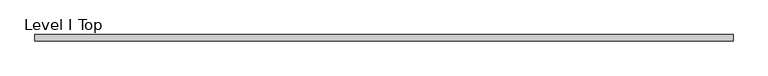
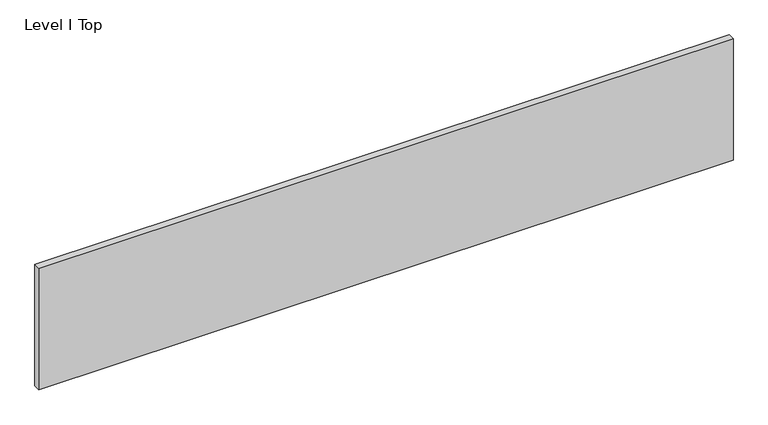
"""IFC4 building model written with IfcOpenShell, lengths in millimetres: proxy geometry, Level I Top."""

from ifc_helpers import new_model, si_unit, frame, origin, place, context, project, spatial, polyline, outline, extrude, source, transform, mapped, element, save


def level_i_top_09e36e50(model_context):
    return source(origin(), model_context, "Body", "SweptSolid", [
        extrude(outline(polyline([(1012.8305563, -9.525), (-1012.8305562, -9.525), (-1012.8305562, 9.525), (1012.8305563, 9.525), (1012.8305563, -9.525)])), frame((0.0, 0.0, 3.175), z_axis=(0.0, 0.0, 1.0), x_axis=(1.0, 0.0, 0.0)), (0.0, 0.0, 1.0), 374.65),
    ])


if __name__ == "__main__":
    model = new_model("IFC4")
    model_context = context("Model", 3, world=origin())
    ifc_project = project(units=[si_unit("LENGTHUNIT", "METRE", prefix="MILLI")], contexts=[model_context])
    site = spatial("IfcSite", under=ifc_project)
    building = spatial("IfcBuilding", under=site)
    placement = place(None, origin())
    level_i_top_shape = level_i_top_09e36e50(model_context)
    element("IfcBuildingElementProxy", 1, Name="Level I Top", ObjectType="Level I Top", at=placement, inside=building, context=model_context, shape_type="MappedRepresentation", body=[
        mapped(level_i_top_shape, transform((0.0, 0.0, 0.0), x_axis=(1.0, 0.0, 0.0), y_axis=(0.0, 1.0, 0.0), z_axis=(0.0, 0.0, 1.0))),
    ])
    save(model, "model.ifc")
